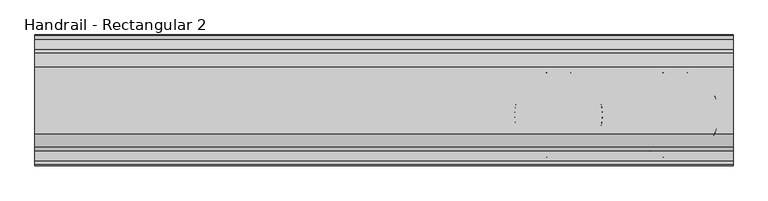
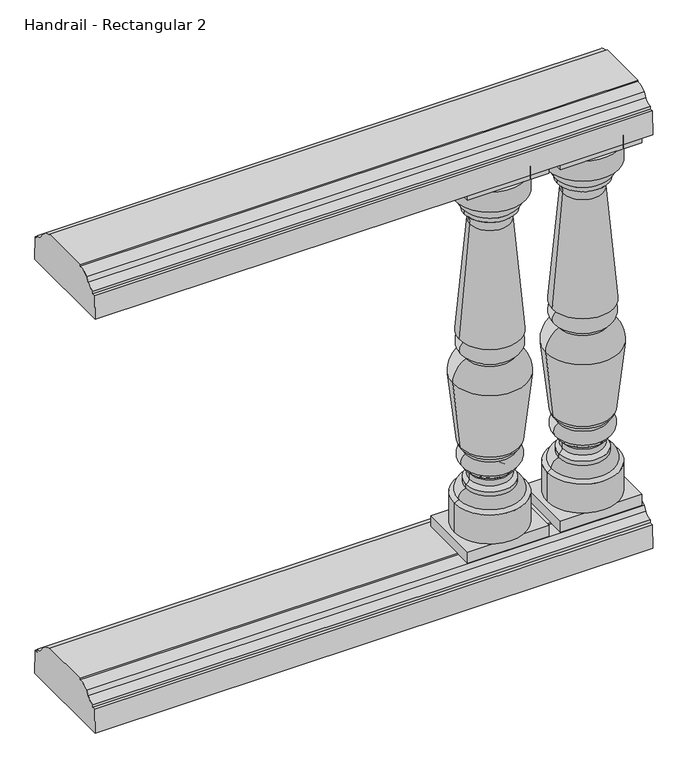
"""IFC4 building model written with IfcOpenShell, lengths in millimetres: railing geometry, Handrail - Rectangular 2."""

from ifc_helpers import new_model, si_unit, point, frame, frame_2d, origin, place, context, project, spatial, polyline, circle_curve, ellipse_curve, trimmed, segment, composite_curve, outline, extrude, source, transform, mapped, element, save
from ifc_brep_helpers import plane_surface, cylinder_surface, revolved_surface, advanced_brep


def handrail_rectangular_2_2d9b147e(model_context):
    return source(origin(), model_context, "Body", "SolidModel", [
        extrude(outline(composite_curve([segment(trimmed(circle_curve(frame_2d((2037.3551798, 1054.89375)), 19.84375), [point((2037.3551798, 1035.05))], [point((2054.4756216, 1044.8605607))], True, "CARTESIAN"), True, "CONTINUOUS"), segment(polyline([(2054.4756216, 1044.8605607), (2060.9356936, 1054.3201059)]), True, "CONTINUOUS"), segment(trimmed(circle_curve(frame_2d((2084.9801798, 1027.90625)), 35.71875), [point((2060.9356936, 1054.3201059))], [point((2084.9801798, 1063.625))], False, "CARTESIAN"), True, "CONTINUOUS"), segment(polyline([(2084.9801798, 1063.625), (2084.9801798, 1066.8), (2200.8676798, 1066.8), (2200.8676798, 1063.625)]), True, "CONTINUOUS"), segment(trimmed(circle_curve(frame_2d((2200.8676798, 1027.90625)), 35.71875), [point((2200.8676798, 1063.625))], [point((2224.912166, 1054.3201059))], False, "CARTESIAN"), True, "CONTINUOUS"), segment(polyline([(2224.912166, 1054.3201059), (2231.372238, 1044.8605607)]), True, "CONTINUOUS"), segment(trimmed(circle_curve(frame_2d((2248.4926798, 1054.89375)), 19.84375), [point((2231.372238, 1044.8605607))], [point((2248.4926798, 1035.05))], True, "CARTESIAN"), True, "CONTINUOUS"), segment(polyline([(2248.4926798, 1035.05), (2248.4926798, 1028.7), (2255.6364298, 1028.7), (2257.2239298, 974.725), (2028.6239298, 974.725), (2030.2114298, 1028.7), (2037.3551798, 1028.7), (2037.3551798, 1035.05)]), True, "CONTINUOUS")], self_intersect=False)), frame((4647.5566037, 0.0, 0.0), z_axis=(1.0, 0.0, 0.0), x_axis=(0.0, 1.0, 0.0)), (0.0, 0.0, 1.0), 1219.2),
        extrude(outline(composite_curve([segment(trimmed(circle_curve(frame_2d((2037.3551798, 99.21875)), 19.84375), [point((2037.3551798, 79.375))], [point((2054.4756216, 89.1855607))], True, "CARTESIAN"), True, "CONTINUOUS"), segment(polyline([(2054.4756216, 89.1855607), (2060.9356936, 98.6451059)]), True, "CONTINUOUS"), segment(trimmed(circle_curve(frame_2d((2084.9801798, 72.23125)), 35.71875), [point((2060.9356936, 98.6451059))], [point((2084.9801798, 107.95))], False, "CARTESIAN"), True, "CONTINUOUS"), segment(polyline([(2084.9801798, 107.95), (2084.9801798, 111.125), (2200.8676798, 111.125), (2200.8676798, 107.95)]), True, "CONTINUOUS"), segment(trimmed(circle_curve(frame_2d((2200.8676798, 72.23125)), 35.71875), [point((2200.8676798, 107.95))], [point((2224.912166, 98.6451059))], False, "CARTESIAN"), True, "CONTINUOUS"), segment(polyline([(2224.912166, 98.6451059), (2231.372238, 89.1855607)]), True, "CONTINUOUS"), segment(trimmed(circle_curve(frame_2d((2248.4926798, 99.21875)), 19.84375), [point((2231.372238, 89.1855607))], [point((2248.4926798, 79.375))], True, "CARTESIAN"), True, "CONTINUOUS"), segment(polyline([(2248.4926798, 79.375), (2248.4926798, 73.025), (2255.6364298, 73.025), (2257.2239298, 19.05), (2028.6239298, 19.05), (2030.2114298, 73.025), (2037.3551798, 73.025), (2037.3551798, 79.375)]), True, "CONTINUOUS")], self_intersect=False)), frame((4647.5566037, 0.0, 0.0), z_axis=(1.0, 0.0, 0.0), x_axis=(0.0, 1.0, 0.0)), (0.0, 0.0, 1.0), 1219.2),
        advanced_brep(
        [(5765.1566037, 2117.5239298, 949.325), (5687.5953648, 2117.5239298, 949.325), (5842.7178426, 2117.5239298, 949.325), (5842.9441037, 2117.5239298, 136.525), (5687.3691037, 2117.5239298, 136.525), (5765.1566037, 2117.5239298, 136.525), (5842.9441037, 2117.5239298, 203.2), (5687.3691037, 2117.5239298, 203.2), (5833.3320698, 2117.5239298, 208.348485), (5696.9811377, 2117.5239298, 208.348485), (5817.5441037, 2117.5239298, 228.7310532), (5712.7691037, 2117.5239298, 228.7310532), (5817.5441037, 2117.5239298, 238.125), (5712.7691037, 2117.5239298, 238.125), (5809.9253868, 2117.5239298, 247.1598162), (5720.3878206, 2117.5239298, 247.1598162), (5809.9253868, 2117.5239298, 260.8401838), (5720.3878206, 2117.5239298, 260.8401838), (5817.5441037, 2117.5239298, 269.875), (5712.7691037, 2117.5239298, 269.875), (5817.5441037, 2117.5239298, 276.225), (5712.7691037, 2117.5239298, 276.225), (5818.3378537, 2117.5239298, 307.975), (5711.9753537, 2117.5239298, 307.975), (5818.3378537, 2117.5239298, 314.325), (5711.9753537, 2117.5239298, 314.325), (5829.1106385, 2117.5239298, 327.0157842), (5701.2025689, 2117.5239298, 327.0157842), (5846.1977192, 2117.5239298, 481.3725887), (5684.1154883, 2117.5239298, 481.3725887), (5817.5441037, 2117.5239298, 528.6375), (5712.7691037, 2117.5239298, 528.6375), (5817.5441037, 2117.5239298, 534.9875), (5712.7691037, 2117.5239298, 534.9875), (5820.7191037, 2117.5239298, 569.9125), (5709.5941037, 2117.5239298, 569.9125), (5820.7191037, 2117.5239298, 573.0875), (5709.5941037, 2117.5239298, 573.0875), (5831.8316037, 2117.5239298, 577.85), (5698.4816037, 2117.5239298, 577.85), (5808.6530916, 2117.5239298, 836.3199218), (5721.6601158, 2117.5239298, 836.3199218), (5820.7191037, 2117.5239298, 863.6), (5709.5941037, 2117.5239298, 863.6), (5820.7191037, 2117.5239298, 873.125), (5709.5941037, 2117.5239298, 873.125), (5831.8316037, 2117.5239298, 900.1125), (5698.4816037, 2117.5239298, 900.1125), (5842.9441037, 2117.5239298, 903.2875), (5687.3691037, 2117.5239298, 903.2875)],
        [
            (0, 1),
            (1, 2, circle_curve(frame((5765.1566037, 2117.5239298, 949.325), z_axis=(0.0, 0.0, 1.0), x_axis=(-1.0, 0.0, 0.0)), 77.5612389)),
            (2, 0),
            (2, 1, circle_curve(frame((5765.1566037, 2117.5239298, 949.325), z_axis=(0.0, 0.0, 1.0), x_axis=(-1.0, 0.0, 0.0)), 77.5612389)),
            (3, 4, circle_curve(frame((5765.1566037, 2117.5239298, 136.525), z_axis=(0.0, 0.0, -1.0), x_axis=(-1.0, 0.0, 0.0)), 77.7875)),
            (4, 5),
            (5, 3),
            (4, 3, circle_curve(frame((5765.1566037, 2117.5239298, 136.525), z_axis=(0.0, 0.0, -1.0), x_axis=(-1.0, 0.0, 0.0)), 77.7875)),
            (6, 7, circle_curve(frame((5765.1566037, 2117.5239298, 203.2), z_axis=(0.0, 0.0, -1.0), x_axis=(-1.0, 0.0, 0.0)), 77.7875)),
            (7, 4),
            (3, 6),
            (7, 6, circle_curve(frame((5765.1566037, 2117.5239298, 203.2), z_axis=(0.0, 0.0, -1.0), x_axis=(-1.0, 0.0, 0.0)), 77.7875)),
            (8, 9, circle_curve(frame((5765.1566037, 2117.5239298, 208.348485), z_axis=(0.0, 0.0, -1.0), x_axis=(-1.0, 0.0, 0.0)), 68.175466)),
            (9, 7),
            (6, 8),
            (9, 8, circle_curve(frame((5765.1566037, 2117.5239298, 208.348485), z_axis=(0.0, 0.0, -1.0), x_axis=(-1.0, 0.0, 0.0)), 68.175466)),
            (10, 11, circle_curve(frame((5765.1566037, 2117.5239298, 228.7310532), z_axis=(0.0, 0.0, -1.0), x_axis=(-1.0, 0.0, 0.0)), 52.3875)),
            (11, 9, circle_curve(frame((5715.1441926, 2117.5239298, 210.5855331), z_axis=(0.0, -1.0, 0.0), x_axis=(1.0, 0.0, 0.0)), 18.3002991)),
            (8, 10, circle_curve(frame((5815.1690149, 2117.5239298, 210.5855331), z_axis=(0.0, -1.0, 0.0), x_axis=(-1.0, 0.0, 0.0)), 18.3002991)),
            (11, 10, circle_curve(frame((5765.1566037, 2117.5239298, 228.7310532), z_axis=(0.0, 0.0, -1.0), x_axis=(-1.0, 0.0, 0.0)), 52.3875)),
            (12, 13, circle_curve(frame((5765.1566037, 2117.5239298, 238.125), z_axis=(0.0, 0.0, -1.0), x_axis=(-1.0, 0.0, 0.0)), 52.3875)),
            (13, 11),
            (10, 12),
            (13, 12, circle_curve(frame((5765.1566037, 2117.5239298, 238.125), z_axis=(0.0, 0.0, -1.0), x_axis=(-1.0, 0.0, 0.0)), 52.3875)),
            (14, 15, circle_curve(frame((5765.1566037, 2117.5239298, 247.1598162), z_axis=(0.0, 0.0, -1.0), x_axis=(-1.0, 0.0, 0.0)), 44.7687831)),
            (15, 13, circle_curve(frame((5710.9837685, 2117.5239298, 247.3602005), z_axis=(0.0, 1.0, 0.0), x_axis=(1.0, 0.0, 0.0)), 9.4061868)),
            (12, 14, circle_curve(frame((5819.329439, 2117.5239298, 247.3602005), z_axis=(0.0, 1.0, 0.0), x_axis=(-1.0, 0.0, 0.0)), 9.4061868)),
            (15, 14, circle_curve(frame((5765.1566037, 2117.5239298, 247.1598162), z_axis=(0.0, 0.0, -1.0), x_axis=(-1.0, 0.0, 0.0)), 44.7687831)),
            (16, 17, circle_curve(frame((5765.1566037, 2117.5239298, 260.8401838), z_axis=(0.0, 0.0, -1.0), x_axis=(-1.0, 0.0, 0.0)), 44.7687831)),
            (17, 15),
            (14, 16),
            (17, 16, circle_curve(frame((5765.1566037, 2117.5239298, 260.8401838), z_axis=(0.0, 0.0, -1.0), x_axis=(-1.0, 0.0, 0.0)), 44.7687831)),
            (18, 19, circle_curve(frame((5765.1566037, 2117.5239298, 269.875), z_axis=(0.0, 0.0, -1.0), x_axis=(-1.0, 0.0, 0.0)), 52.3875)),
            (19, 17, circle_curve(frame((5710.9837685, 2117.5239298, 260.6397995), z_axis=(0.0, 1.0, 0.0), x_axis=(1.0, 0.0, 0.0)), 9.4061868)),
            (16, 18, circle_curve(frame((5819.329439, 2117.5239298, 260.6397995), z_axis=(0.0, 1.0, 0.0), x_axis=(-1.0, 0.0, 0.0)), 9.4061868)),
            (19, 18, circle_curve(frame((5765.1566037, 2117.5239298, 269.875), z_axis=(0.0, 0.0, -1.0), x_axis=(-1.0, 0.0, 0.0)), 52.3875)),
            (20, 21, circle_curve(frame((5765.1566037, 2117.5239298, 276.225), z_axis=(0.0, 0.0, -1.0), x_axis=(-1.0, 0.0, 0.0)), 52.3875)),
            (21, 19),
            (18, 20),
            (21, 20, circle_curve(frame((5765.1566037, 2117.5239298, 276.225), z_axis=(0.0, 0.0, -1.0), x_axis=(-1.0, 0.0, 0.0)), 52.3875)),
            (22, 23, circle_curve(frame((5765.1566037, 2117.5239298, 307.975), z_axis=(0.0, 0.0, -1.0), x_axis=(-1.0, 0.0, 0.0)), 53.18125)),
            (23, 21, circle_curve(frame((5718.3481914, 2117.5239298, 292.2493991), z_axis=(0.0, -1.0, 0.0), x_axis=(1.0, 0.0, 0.0)), 16.9678397)),
            (20, 22, circle_curve(frame((5811.9650161, 2117.5239298, 292.2493991), z_axis=(0.0, -1.0, 0.0), x_axis=(-1.0, 0.0, 0.0)), 16.9678397)),
            (23, 22, circle_curve(frame((5765.1566037, 2117.5239298, 307.975), z_axis=(0.0, 0.0, -1.0), x_axis=(-1.0, 0.0, 0.0)), 53.18125)),
            (24, 25, circle_curve(frame((5765.1566037, 2117.5239298, 314.325), z_axis=(0.0, 0.0, -1.0), x_axis=(-1.0, 0.0, 0.0)), 53.18125)),
            (25, 23),
            (22, 24),
            (25, 24, circle_curve(frame((5765.1566037, 2117.5239298, 314.325), z_axis=(0.0, 0.0, -1.0), x_axis=(-1.0, 0.0, 0.0)), 53.18125)),
            (26, 27, circle_curve(frame((5765.1566037, 2117.5239298, 327.0157842), z_axis=(0.0, 0.0, -1.0), x_axis=(-1.0, 0.0, 0.0)), 63.9540348)),
            (27, 25, circle_curve(frame((5721.8087261, 2117.5239298, 333.5899445), z_axis=(0.0, -1.0, 0.0), x_axis=(1.0, 0.0, 0.0)), 21.6294545)),
            (24, 26, circle_curve(frame((5808.5044813, 2117.5239298, 333.5899445), z_axis=(0.0, -1.0, 0.0), x_axis=(-1.0, 0.0, 0.0)), 21.6294545)),
            (27, 26, circle_curve(frame((5765.1566037, 2117.5239298, 327.0157842), z_axis=(0.0, 0.0, -1.0), x_axis=(-1.0, 0.0, 0.0)), 63.9540348)),
            (28, 29, circle_curve(frame((5765.1566037, 2117.5239298, 481.3725887), z_axis=(0.0, 0.0, -1.0), x_axis=(-1.0, 0.0, 0.0)), 81.0411154)),
            (29, 27, circle_curve(frame((7178.442934, 2117.5239298, 568.6683698), z_axis=(0.0, -1.0, 0.0), x_axis=(1.0, 0.0, 0.0)), 1496.8751012)),
            (26, 28, circle_curve(frame((4351.8702734, 2117.5239298, 568.6683698), z_axis=(0.0, -1.0, 0.0), x_axis=(-1.0, 0.0, 0.0)), 1496.8751012)),
            (29, 28, circle_curve(frame((5765.1566037, 2117.5239298, 481.3725887), z_axis=(0.0, 0.0, -1.0), x_axis=(-1.0, 0.0, 0.0)), 81.0411154)),
            (30, 31, circle_curve(frame((5765.1566037, 2117.5239298, 528.6375), z_axis=(0.0, 0.0, -1.0), x_axis=(-1.0, 0.0, 0.0)), 52.3875)),
            (31, 29, circle_curve(frame((5735.8682544, 2117.5239298, 482.3161407), z_axis=(0.0, -1.0, 0.0), x_axis=(1.0, 0.0, 0.0)), 51.7613668)),
            (28, 30, circle_curve(frame((5794.444953, 2117.5239298, 482.3161407), z_axis=(0.0, -1.0, 0.0), x_axis=(-1.0, 0.0, 0.0)), 51.7613668)),
            (31, 30, circle_curve(frame((5765.1566037, 2117.5239298, 528.6375), z_axis=(0.0, 0.0, -1.0), x_axis=(-1.0, 0.0, 0.0)), 52.3875)),
            (32, 33, circle_curve(frame((5765.1566037, 2117.5239298, 534.9875), z_axis=(0.0, 0.0, -1.0), x_axis=(-1.0, 0.0, 0.0)), 52.3875)),
            (33, 31),
            (30, 32),
            (33, 32, circle_curve(frame((5765.1566037, 2117.5239298, 534.9875), z_axis=(0.0, 0.0, -1.0), x_axis=(-1.0, 0.0, 0.0)), 52.3875)),
            (34, 35, circle_curve(frame((5765.1566037, 2117.5239298, 569.9125), z_axis=(0.0, 0.0, -1.0), x_axis=(-1.0, 0.0, 0.0)), 55.5625)),
            (35, 33, circle_curve(frame((5717.8353561, 2117.5239298, 553.0548866), z_axis=(0.0, -1.0, 0.0), x_axis=(1.0, 0.0, 0.0)), 18.7642578)),
            (32, 34, circle_curve(frame((5812.4778513, 2117.5239298, 553.0548866), z_axis=(0.0, -1.0, 0.0), x_axis=(-1.0, 0.0, 0.0)), 18.7642578)),
            (35, 34, circle_curve(frame((5765.1566037, 2117.5239298, 569.9125), z_axis=(0.0, 0.0, -1.0), x_axis=(-1.0, 0.0, 0.0)), 55.5625)),
            (36, 37, circle_curve(frame((5765.1566037, 2117.5239298, 573.0875), z_axis=(0.0, 0.0, -1.0), x_axis=(-1.0, 0.0, 0.0)), 55.5625)),
            (37, 35),
            (34, 36),
            (37, 36, circle_curve(frame((5765.1566037, 2117.5239298, 573.0875), z_axis=(0.0, 0.0, -1.0), x_axis=(-1.0, 0.0, 0.0)), 55.5625)),
            (38, 39, circle_curve(frame((5765.1566037, 2117.5239298, 577.85), z_axis=(0.0, 0.0, -1.0), x_axis=(-1.0, 0.0, 0.0)), 66.675)),
            (39, 37),
            (36, 38),
            (39, 38, circle_curve(frame((5765.1566037, 2117.5239298, 577.85), z_axis=(0.0, 0.0, -1.0), x_axis=(-1.0, 0.0, 0.0)), 66.675)),
            (40, 41, circle_curve(frame((5765.1566037, 2117.5239298, 836.3199218), z_axis=(0.0, 0.0, -1.0), x_axis=(-1.0, 0.0, 0.0)), 43.4964879)),
            (41, 39, circle_curve(frame((4074.8236899, 2117.5239298, 853.7271544), z_axis=(0.0, 1.0, 0.0), x_axis=(1.0, 0.0, 0.0)), 1646.9284215)),
            (38, 40, circle_curve(frame((7455.4895176, 2117.5239298, 853.7271544), z_axis=(0.0, 1.0, 0.0), x_axis=(-1.0, 0.0, 0.0)), 1646.9284215)),
            (41, 40, circle_curve(frame((5765.1566037, 2117.5239298, 836.3199218), z_axis=(0.0, 0.0, -1.0), x_axis=(-1.0, 0.0, 0.0)), 43.4964879)),
            (42, 43, circle_curve(frame((5765.1566037, 2117.5239298, 863.6), z_axis=(0.0, 0.0, -1.0), x_axis=(-1.0, 0.0, 0.0)), 55.5625)),
            (43, 41, circle_curve(frame((5688.9559569, 2117.5239298, 838.1632773), z_axis=(0.0, 1.0, 0.0), x_axis=(1.0, 0.0, 0.0)), 32.7560676)),
            (40, 42, circle_curve(frame((5841.3572505, 2117.5239298, 838.1632773), z_axis=(0.0, 1.0, 0.0), x_axis=(-1.0, 0.0, 0.0)), 32.7560676)),
            (43, 42, circle_curve(frame((5765.1566037, 2117.5239298, 863.6), z_axis=(0.0, 0.0, -1.0), x_axis=(-1.0, 0.0, 0.0)), 55.5625)),
            (44, 45, circle_curve(frame((5765.1566037, 2117.5239298, 873.125), z_axis=(0.0, 0.0, -1.0), x_axis=(-1.0, 0.0, 0.0)), 55.5625)),
            (45, 43),
            (42, 44),
            (45, 44, circle_curve(frame((5765.1566037, 2117.5239298, 873.125), z_axis=(0.0, 0.0, -1.0), x_axis=(-1.0, 0.0, 0.0)), 55.5625)),
            (46, 47, circle_curve(frame((5765.1566037, 2117.5239298, 900.1125), z_axis=(0.0, 0.0, -1.0), x_axis=(-1.0, 0.0, 0.0)), 66.675)),
            (47, 45, circle_curve(frame((5727.8418255, 2117.5239298, 896.4203854), z_axis=(0.0, -1.0, 0.0), x_axis=(1.0, 0.0, 0.0)), 29.5914571)),
            (44, 46, circle_curve(frame((5802.4713819, 2117.5239298, 896.4203854), z_axis=(0.0, -1.0, 0.0), x_axis=(-1.0, 0.0, 0.0)), 29.5914571)),
            (47, 46, circle_curve(frame((5765.1566037, 2117.5239298, 900.1125), z_axis=(0.0, 0.0, -1.0), x_axis=(-1.0, 0.0, 0.0)), 66.675)),
            (48, 49, circle_curve(frame((5765.1566037, 2117.5239298, 903.2875), z_axis=(0.0, 0.0, -1.0), x_axis=(-1.0, 0.0, 0.0)), 77.7875)),
            (49, 47),
            (46, 48),
            (49, 48, circle_curve(frame((5765.1566037, 2117.5239298, 903.2875), z_axis=(0.0, 0.0, -1.0), x_axis=(-1.0, 0.0, 0.0)), 77.7875)),
            (1, 49),
            (48, 2),
        ],
        [
            plane_surface(frame((5765.1566037, 2117.5239298, 949.325), z_axis=(0.0, 0.0, 1.0), x_axis=(-1.0, 0.0, 0.0))),
            plane_surface(frame((5765.1566037, 2117.5239298, 136.525), z_axis=(0.0, 0.0, -1.0), x_axis=(-1.0, 0.0, 0.0))),
            cylinder_surface(frame((5765.1566037, 2117.5239298, 1019.175), z_axis=(0.0, 0.0, 1.0), x_axis=(-1.0, 0.0, 0.0)), 77.7875),
            revolved_surface(polyline([(5687.3691037, 2117.5239298, 203.2), (5696.9811377, 2117.5239298, 208.348485)]), (5765.1566037, 2117.5239298, 1019.175), (0.0, 0.0, 1.0)),
            revolved_surface(trimmed(ellipse_curve(frame((5715.1441926, 2117.5239298, 210.5855331), z_axis=(0.0, 1.0, 0.0), x_axis=(1.0, 0.0, 0.0)), 18.3002991, 18.3002991), [point((5696.9811377, 2117.5239298, 208.348485))], [point((5712.7691037, 2117.5239298, 228.7310532))], True, "CARTESIAN"), (5765.1566037, 2117.5239298, 1019.175), (0.0, 0.0, 1.0)),
            cylinder_surface(frame((5765.1566037, 2117.5239298, 1019.175), z_axis=(0.0, 0.0, 1.0), x_axis=(-1.0, 0.0, 0.0)), 52.3875),
            revolved_surface(trimmed(ellipse_curve(frame((5710.9837685, 2117.5239298, 247.3602005), z_axis=(0.0, -1.0, 0.0), x_axis=(1.0, 0.0, 0.0)), 9.4061868, 9.4061868), [point((5712.7691037, 2117.5239298, 238.125))], [point((5720.3878206, 2117.5239298, 247.1598162))], True, "CARTESIAN"), (5765.1566037, 2117.5239298, 1019.175), (0.0, 0.0, 1.0)),
            cylinder_surface(frame((5765.1566037, 2117.5239298, 1019.175), z_axis=(0.0, 0.0, 1.0), x_axis=(-1.0, 0.0, 0.0)), 44.7687831),
            revolved_surface(trimmed(ellipse_curve(frame((5710.9837685, 2117.5239298, 260.6397995), z_axis=(0.0, -1.0, 0.0), x_axis=(1.0, 0.0, 0.0)), 9.4061868, 9.4061868), [point((5720.3878206, 2117.5239298, 260.8401838))], [point((5712.7691037, 2117.5239298, 269.875))], True, "CARTESIAN"), (5765.1566037, 2117.5239298, 1019.175), (0.0, 0.0, 1.0)),
            revolved_surface(trimmed(ellipse_curve(frame((5718.3481914, 2117.5239298, 292.2493991), z_axis=(0.0, 1.0, 0.0), x_axis=(1.0, 0.0, 0.0)), 16.9678397, 16.9678397), [point((5712.7691037, 2117.5239298, 276.225))], [point((5711.9753537, 2117.5239298, 307.975))], True, "CARTESIAN"), (5765.1566037, 2117.5239298, 1019.175), (0.0, 0.0, 1.0)),
            cylinder_surface(frame((5765.1566037, 2117.5239298, 1019.175), z_axis=(0.0, 0.0, 1.0), x_axis=(-1.0, 0.0, 0.0)), 53.18125),
            revolved_surface(trimmed(ellipse_curve(frame((5721.8087261, 2117.5239298, 333.5899445), z_axis=(0.0, 1.0, 0.0), x_axis=(1.0, 0.0, 0.0)), 21.6294545, 21.6294545), [point((5711.9753537, 2117.5239298, 314.325))], [point((5701.2025689, 2117.5239298, 327.0157842))], True, "CARTESIAN"), (5765.1566037, 2117.5239298, 1019.175), (0.0, 0.0, 1.0)),
            revolved_surface(trimmed(ellipse_curve(frame((7178.442934, 2117.5239298, 568.6683698), z_axis=(0.0, 1.0, 0.0), x_axis=(1.0, 0.0, 0.0)), 1496.8751012, 1496.8751012), [point((5701.2025689, 2117.5239298, 327.0157842))], [point((5684.1154883, 2117.5239298, 481.3725887))], True, "CARTESIAN"), (5765.1566037, 2117.5239298, 1019.175), (0.0, 0.0, 1.0)),
            revolved_surface(trimmed(ellipse_curve(frame((5735.8682544, 2117.5239298, 482.3161407), z_axis=(0.0, 1.0, 0.0), x_axis=(1.0, 0.0, 0.0)), 51.7613668, 51.7613668), [point((5684.1154883, 2117.5239298, 481.3725887))], [point((5712.7691037, 2117.5239298, 528.6375))], True, "CARTESIAN"), (5765.1566037, 2117.5239298, 1019.175), (0.0, 0.0, 1.0)),
            revolved_surface(trimmed(ellipse_curve(frame((5717.8353561, 2117.5239298, 553.0548866), z_axis=(0.0, 1.0, 0.0), x_axis=(1.0, 0.0, 0.0)), 18.7642578, 18.7642578), [point((5712.7691037, 2117.5239298, 534.9875))], [point((5709.5941037, 2117.5239298, 569.9125))], True, "CARTESIAN"), (5765.1566037, 2117.5239298, 1019.175), (0.0, 0.0, 1.0)),
            cylinder_surface(frame((5765.1566037, 2117.5239298, 1019.175), z_axis=(0.0, 0.0, 1.0), x_axis=(-1.0, 0.0, 0.0)), 55.5625),
            revolved_surface(polyline([(5709.5941037, 2117.5239298, 573.0875), (5698.4816037, 2117.5239298, 577.85)]), (5765.1566037, 2117.5239298, 1019.175), (0.0, 0.0, 1.0)),
            revolved_surface(trimmed(ellipse_curve(frame((4074.8236899, 2117.5239298, 853.7271544), z_axis=(0.0, -1.0, 0.0), x_axis=(1.0, 0.0, 0.0)), 1646.9284215, 1646.9284215), [point((5698.4816037, 2117.5239298, 577.85))], [point((5721.6601158, 2117.5239298, 836.3199218))], True, "CARTESIAN"), (5765.1566037, 2117.5239298, 1019.175), (0.0, 0.0, 1.0)),
            revolved_surface(trimmed(ellipse_curve(frame((5688.9559569, 2117.5239298, 838.1632773), z_axis=(0.0, -1.0, 0.0), x_axis=(1.0, 0.0, 0.0)), 32.7560676, 32.7560676), [point((5721.6601158, 2117.5239298, 836.3199218))], [point((5709.5941037, 2117.5239298, 863.6))], True, "CARTESIAN"), (5765.1566037, 2117.5239298, 1019.175), (0.0, 0.0, 1.0)),
            revolved_surface(trimmed(ellipse_curve(frame((5727.8418255, 2117.5239298, 896.4203854), z_axis=(0.0, 1.0, 0.0), x_axis=(1.0, 0.0, 0.0)), 29.5914571, 29.5914571), [point((5709.5941037, 2117.5239298, 873.125))], [point((5698.4816037, 2117.5239298, 900.1125))], True, "CARTESIAN"), (5765.1566037, 2117.5239298, 1019.175), (0.0, 0.0, 1.0)),
            revolved_surface(polyline([(5698.4816037, 2117.5239298, 900.1125), (5687.3691037, 2117.5239298, 903.2875)]), (5765.1566037, 2117.5239298, 1019.175), (0.0, 0.0, 1.0)),
            revolved_surface(polyline([(5687.3691037, 2117.5239298, 903.2875), (5687.5953648, 2117.5239298, 949.325)]), (5765.1566037, 2117.5239298, 1019.175), (0.0, 0.0, 1.0)),
        ],
        [
            (0, [[1, 2, 3]]),
            (0, [[-3, 4, -1]]),
            (1, [[5, 6, 7]]),
            (1, [[8, -7, -6]]),
            (2, [[9, 10, -5, 11]]),
            (2, [[12, -11, -8, -10]]),
            (3, [[13, 14, -9, 15]]),
            (3, [[16, -15, -12, -14]]),
            (4, [[17, 18, -13, 19]]),
            (4, [[20, -19, -16, -18]]),
            (5, [[21, 22, -17, 23]]),
            (5, [[24, -23, -20, -22]]),
            (6, [[25, 26, -21, 27]]),
            (6, [[28, -27, -24, -26]]),
            (7, [[29, 30, -25, 31]]),
            (7, [[32, -31, -28, -30]]),
            (8, [[33, 34, -29, 35]]),
            (8, [[36, -35, -32, -34]]),
            (5, [[37, 38, -33, 39]]),
            (5, [[40, -39, -36, -38]]),
            (9, [[41, 42, -37, 43]]),
            (9, [[44, -43, -40, -42]]),
            (10, [[45, 46, -41, 47]]),
            (10, [[48, -47, -44, -46]]),
            (11, [[49, 50, -45, 51]]),
            (11, [[52, -51, -48, -50]]),
            (12, [[53, 54, -49, 55]]),
            (12, [[56, -55, -52, -54]]),
            (13, [[57, 58, -53, 59]]),
            (13, [[60, -59, -56, -58]]),
            (5, [[61, 62, -57, 63]]),
            (5, [[64, -63, -60, -62]]),
            (14, [[65, 66, -61, 67]]),
            (14, [[68, -67, -64, -66]]),
            (15, [[69, 70, -65, 71]]),
            (15, [[72, -71, -68, -70]]),
            (16, [[73, 74, -69, 75]]),
            (16, [[76, -75, -72, -74]]),
            (17, [[77, 78, -73, 79]]),
            (17, [[80, -79, -76, -78]]),
            (18, [[81, 82, -77, 83]]),
            (18, [[84, -83, -80, -82]]),
            (15, [[85, 86, -81, 87]]),
            (15, [[88, -87, -84, -86]]),
            (19, [[89, 90, -85, 91]]),
            (19, [[92, -91, -88, -90]]),
            (20, [[93, 94, -89, 95]]),
            (20, [[96, -95, -92, -94]]),
            (21, [[-2, 97, -93, 98]]),
            (21, [[-4, -98, -96, -97]]),
        ],
    ),
        extrude(outline(polyline([(5676.2566037, 2047.6739298), (5676.2566037, 2187.3739298), (5854.0566037, 2187.3739298), (5854.0566037, 2047.6739298), (5676.2566037, 2047.6739298)])), frame((0.0, 0.0, 111.125), z_axis=(0.0, 0.0, 1.0), x_axis=(1.0, 0.0, 0.0)), (0.0, 0.0, 1.0), 25.4),
        extrude(outline(polyline([(5676.2566037, 2187.3739298), (5854.0566037, 2187.3739298), (5854.0566037, 2047.6739298), (5676.2566037, 2047.6739298), (5676.2566037, 2187.3739298)])), frame((0.0, 0.0, 949.325), z_axis=(0.0, 0.0, 1.0), x_axis=(1.0, 0.0, 0.0)), (0.0, 0.0, 1.0), 25.4),
        advanced_brep(
        [(5561.9566037, 2117.5239298, 949.325), (5484.3953648, 2117.5239298, 949.325), (5639.5178426, 2117.5239298, 949.325), (5639.7441037, 2117.5239298, 136.525), (5484.1691037, 2117.5239298, 136.525), (5561.9566037, 2117.5239298, 136.525), (5639.7441037, 2117.5239298, 203.2), (5484.1691037, 2117.5239298, 203.2), (5630.1320698, 2117.5239298, 208.348485), (5493.7811377, 2117.5239298, 208.348485), (5614.3441037, 2117.5239298, 228.7310532), (5509.5691037, 2117.5239298, 228.7310532), (5614.3441037, 2117.5239298, 238.125), (5509.5691037, 2117.5239298, 238.125), (5606.7253868, 2117.5239298, 247.1598162), (5517.1878206, 2117.5239298, 247.1598162), (5606.7253868, 2117.5239298, 260.8401838), (5517.1878206, 2117.5239298, 260.8401838), (5614.3441037, 2117.5239298, 269.875), (5509.5691037, 2117.5239298, 269.875), (5614.3441037, 2117.5239298, 276.225), (5509.5691037, 2117.5239298, 276.225), (5615.1378537, 2117.5239298, 307.975), (5508.7753537, 2117.5239298, 307.975), (5615.1378537, 2117.5239298, 314.325), (5508.7753537, 2117.5239298, 314.325), (5625.9106385, 2117.5239298, 327.0157842), (5498.0025689, 2117.5239298, 327.0157842), (5642.9977192, 2117.5239298, 481.3725887), (5480.9154883, 2117.5239298, 481.3725887), (5614.3441037, 2117.5239298, 528.6375), (5509.5691037, 2117.5239298, 528.6375), (5614.3441037, 2117.5239298, 534.9875), (5509.5691037, 2117.5239298, 534.9875), (5617.5191037, 2117.5239298, 569.9125), (5506.3941037, 2117.5239298, 569.9125), (5617.5191037, 2117.5239298, 573.0875), (5506.3941037, 2117.5239298, 573.0875), (5628.6316037, 2117.5239298, 577.85), (5495.2816037, 2117.5239298, 577.85), (5605.4530916, 2117.5239298, 836.3199218), (5518.4601158, 2117.5239298, 836.3199218), (5617.5191037, 2117.5239298, 863.6), (5506.3941037, 2117.5239298, 863.6), (5617.5191037, 2117.5239298, 873.125), (5506.3941037, 2117.5239298, 873.125), (5628.6316037, 2117.5239298, 900.1125), (5495.2816037, 2117.5239298, 900.1125), (5639.7441037, 2117.5239298, 903.2875), (5484.1691037, 2117.5239298, 903.2875)],
        [
            (0, 1),
            (1, 2, circle_curve(frame((5561.9566037, 2117.5239298, 949.325), z_axis=(0.0, 0.0, 1.0), x_axis=(-1.0, 0.0, 0.0)), 77.5612389)),
            (2, 0),
            (2, 1, circle_curve(frame((5561.9566037, 2117.5239298, 949.325), z_axis=(0.0, 0.0, 1.0), x_axis=(-1.0, 0.0, 0.0)), 77.5612389)),
            (3, 4, circle_curve(frame((5561.9566037, 2117.5239298, 136.525), z_axis=(0.0, 0.0, -1.0), x_axis=(-1.0, 0.0, 0.0)), 77.7875)),
            (4, 5),
            (5, 3),
            (4, 3, circle_curve(frame((5561.9566037, 2117.5239298, 136.525), z_axis=(0.0, 0.0, -1.0), x_axis=(-1.0, 0.0, 0.0)), 77.7875)),
            (6, 7, circle_curve(frame((5561.9566037, 2117.5239298, 203.2), z_axis=(0.0, 0.0, -1.0), x_axis=(-1.0, 0.0, 0.0)), 77.7875)),
            (7, 4),
            (3, 6),
            (7, 6, circle_curve(frame((5561.9566037, 2117.5239298, 203.2), z_axis=(0.0, 0.0, -1.0), x_axis=(-1.0, 0.0, 0.0)), 77.7875)),
            (8, 9, circle_curve(frame((5561.9566037, 2117.5239298, 208.348485), z_axis=(0.0, 0.0, -1.0), x_axis=(-1.0, 0.0, 0.0)), 68.175466)),
            (9, 7),
            (6, 8),
            (9, 8, circle_curve(frame((5561.9566037, 2117.5239298, 208.348485), z_axis=(0.0, 0.0, -1.0), x_axis=(-1.0, 0.0, 0.0)), 68.175466)),
            (10, 11, circle_curve(frame((5561.9566037, 2117.5239298, 228.7310532), z_axis=(0.0, 0.0, -1.0), x_axis=(-1.0, 0.0, 0.0)), 52.3875)),
            (11, 9, circle_curve(frame((5511.9441926, 2117.5239298, 210.5855331), z_axis=(0.0, -1.0, 0.0), x_axis=(1.0, 0.0, 0.0)), 18.3002991)),
            (8, 10, circle_curve(frame((5611.9690149, 2117.5239298, 210.5855331), z_axis=(0.0, -1.0, 0.0), x_axis=(-1.0, 0.0, 0.0)), 18.3002991)),
            (11, 10, circle_curve(frame((5561.9566037, 2117.5239298, 228.7310532), z_axis=(0.0, 0.0, -1.0), x_axis=(-1.0, 0.0, 0.0)), 52.3875)),
            (12, 13, circle_curve(frame((5561.9566037, 2117.5239298, 238.125), z_axis=(0.0, 0.0, -1.0), x_axis=(-1.0, 0.0, 0.0)), 52.3875)),
            (13, 11),
            (10, 12),
            (13, 12, circle_curve(frame((5561.9566037, 2117.5239298, 238.125), z_axis=(0.0, 0.0, -1.0), x_axis=(-1.0, 0.0, 0.0)), 52.3875)),
            (14, 15, circle_curve(frame((5561.9566037, 2117.5239298, 247.1598162), z_axis=(0.0, 0.0, -1.0), x_axis=(-1.0, 0.0, 0.0)), 44.7687831)),
            (15, 13, circle_curve(frame((5507.7837685, 2117.5239298, 247.3602005), z_axis=(0.0, 1.0, 0.0), x_axis=(1.0, 0.0, 0.0)), 9.4061868)),
            (12, 14, circle_curve(frame((5616.129439, 2117.5239298, 247.3602005), z_axis=(0.0, 1.0, 0.0), x_axis=(-1.0, 0.0, 0.0)), 9.4061868)),
            (15, 14, circle_curve(frame((5561.9566037, 2117.5239298, 247.1598162), z_axis=(0.0, 0.0, -1.0), x_axis=(-1.0, 0.0, 0.0)), 44.7687831)),
            (16, 17, circle_curve(frame((5561.9566037, 2117.5239298, 260.8401838), z_axis=(0.0, 0.0, -1.0), x_axis=(-1.0, 0.0, 0.0)), 44.7687831)),
            (17, 15),
            (14, 16),
            (17, 16, circle_curve(frame((5561.9566037, 2117.5239298, 260.8401838), z_axis=(0.0, 0.0, -1.0), x_axis=(-1.0, 0.0, 0.0)), 44.7687831)),
            (18, 19, circle_curve(frame((5561.9566037, 2117.5239298, 269.875), z_axis=(0.0, 0.0, -1.0), x_axis=(-1.0, 0.0, 0.0)), 52.3875)),
            (19, 17, circle_curve(frame((5507.7837685, 2117.5239298, 260.6397995), z_axis=(0.0, 1.0, 0.0), x_axis=(1.0, 0.0, 0.0)), 9.4061868)),
            (16, 18, circle_curve(frame((5616.129439, 2117.5239298, 260.6397995), z_axis=(0.0, 1.0, 0.0), x_axis=(-1.0, 0.0, 0.0)), 9.4061868)),
            (19, 18, circle_curve(frame((5561.9566037, 2117.5239298, 269.875), z_axis=(0.0, 0.0, -1.0), x_axis=(-1.0, 0.0, 0.0)), 52.3875)),
            (20, 21, circle_curve(frame((5561.9566037, 2117.5239298, 276.225), z_axis=(0.0, 0.0, -1.0), x_axis=(-1.0, 0.0, 0.0)), 52.3875)),
            (21, 19),
            (18, 20),
            (21, 20, circle_curve(frame((5561.9566037, 2117.5239298, 276.225), z_axis=(0.0, 0.0, -1.0), x_axis=(-1.0, 0.0, 0.0)), 52.3875)),
            (22, 23, circle_curve(frame((5561.9566037, 2117.5239298, 307.975), z_axis=(0.0, 0.0, -1.0), x_axis=(-1.0, 0.0, 0.0)), 53.18125)),
            (23, 21, circle_curve(frame((5515.1481914, 2117.5239298, 292.2493991), z_axis=(0.0, -1.0, 0.0), x_axis=(1.0, 0.0, 0.0)), 16.9678397)),
            (20, 22, circle_curve(frame((5608.7650161, 2117.5239298, 292.2493991), z_axis=(0.0, -1.0, 0.0), x_axis=(-1.0, 0.0, 0.0)), 16.9678397)),
            (23, 22, circle_curve(frame((5561.9566037, 2117.5239298, 307.975), z_axis=(0.0, 0.0, -1.0), x_axis=(-1.0, 0.0, 0.0)), 53.18125)),
            (24, 25, circle_curve(frame((5561.9566037, 2117.5239298, 314.325), z_axis=(0.0, 0.0, -1.0), x_axis=(-1.0, 0.0, 0.0)), 53.18125)),
            (25, 23),
            (22, 24),
            (25, 24, circle_curve(frame((5561.9566037, 2117.5239298, 314.325), z_axis=(0.0, 0.0, -1.0), x_axis=(-1.0, 0.0, 0.0)), 53.18125)),
            (26, 27, circle_curve(frame((5561.9566037, 2117.5239298, 327.0157842), z_axis=(0.0, 0.0, -1.0), x_axis=(-1.0, 0.0, 0.0)), 63.9540348)),
            (27, 25, circle_curve(frame((5518.6087261, 2117.5239298, 333.5899445), z_axis=(0.0, -1.0, 0.0), x_axis=(1.0, 0.0, 0.0)), 21.6294545)),
            (24, 26, circle_curve(frame((5605.3044813, 2117.5239298, 333.5899445), z_axis=(0.0, -1.0, 0.0), x_axis=(-1.0, 0.0, 0.0)), 21.6294545)),
            (27, 26, circle_curve(frame((5561.9566037, 2117.5239298, 327.0157842), z_axis=(0.0, 0.0, -1.0), x_axis=(-1.0, 0.0, 0.0)), 63.9540348)),
            (28, 29, circle_curve(frame((5561.9566037, 2117.5239298, 481.3725887), z_axis=(0.0, 0.0, -1.0), x_axis=(-1.0, 0.0, 0.0)), 81.0411154)),
            (29, 27, circle_curve(frame((6975.242934, 2117.5239298, 568.6683698), z_axis=(0.0, -1.0, 0.0), x_axis=(1.0, 0.0, 0.0)), 1496.8751012)),
            (26, 28, circle_curve(frame((4148.6702734, 2117.5239298, 568.6683698), z_axis=(0.0, -1.0, 0.0), x_axis=(-1.0, 0.0, 0.0)), 1496.8751012)),
            (29, 28, circle_curve(frame((5561.9566037, 2117.5239298, 481.3725887), z_axis=(0.0, 0.0, -1.0), x_axis=(-1.0, 0.0, 0.0)), 81.0411154)),
            (30, 31, circle_curve(frame((5561.9566037, 2117.5239298, 528.6375), z_axis=(0.0, 0.0, -1.0), x_axis=(-1.0, 0.0, 0.0)), 52.3875)),
            (31, 29, circle_curve(frame((5532.6682544, 2117.5239298, 482.3161407), z_axis=(0.0, -1.0, 0.0), x_axis=(1.0, 0.0, 0.0)), 51.7613668)),
            (28, 30, circle_curve(frame((5591.244953, 2117.5239298, 482.3161407), z_axis=(0.0, -1.0, 0.0), x_axis=(-1.0, 0.0, 0.0)), 51.7613668)),
            (31, 30, circle_curve(frame((5561.9566037, 2117.5239298, 528.6375), z_axis=(0.0, 0.0, -1.0), x_axis=(-1.0, 0.0, 0.0)), 52.3875)),
            (32, 33, circle_curve(frame((5561.9566037, 2117.5239298, 534.9875), z_axis=(0.0, 0.0, -1.0), x_axis=(-1.0, 0.0, 0.0)), 52.3875)),
            (33, 31),
            (30, 32),
            (33, 32, circle_curve(frame((5561.9566037, 2117.5239298, 534.9875), z_axis=(0.0, 0.0, -1.0), x_axis=(-1.0, 0.0, 0.0)), 52.3875)),
            (34, 35, circle_curve(frame((5561.9566037, 2117.5239298, 569.9125), z_axis=(0.0, 0.0, -1.0), x_axis=(-1.0, 0.0, 0.0)), 55.5625)),
            (35, 33, circle_curve(frame((5514.6353561, 2117.5239298, 553.0548866), z_axis=(0.0, -1.0, 0.0), x_axis=(1.0, 0.0, 0.0)), 18.7642578)),
            (32, 34, circle_curve(frame((5609.2778513, 2117.5239298, 553.0548866), z_axis=(0.0, -1.0, 0.0), x_axis=(-1.0, 0.0, 0.0)), 18.7642578)),
            (35, 34, circle_curve(frame((5561.9566037, 2117.5239298, 569.9125), z_axis=(0.0, 0.0, -1.0), x_axis=(-1.0, 0.0, 0.0)), 55.5625)),
            (36, 37, circle_curve(frame((5561.9566037, 2117.5239298, 573.0875), z_axis=(0.0, 0.0, -1.0), x_axis=(-1.0, 0.0, 0.0)), 55.5625)),
            (37, 35),
            (34, 36),
            (37, 36, circle_curve(frame((5561.9566037, 2117.5239298, 573.0875), z_axis=(0.0, 0.0, -1.0), x_axis=(-1.0, 0.0, 0.0)), 55.5625)),
            (38, 39, circle_curve(frame((5561.9566037, 2117.5239298, 577.85), z_axis=(0.0, 0.0, -1.0), x_axis=(-1.0, 0.0, 0.0)), 66.675)),
            (39, 37),
            (36, 38),
            (39, 38, circle_curve(frame((5561.9566037, 2117.5239298, 577.85), z_axis=(0.0, 0.0, -1.0), x_axis=(-1.0, 0.0, 0.0)), 66.675)),
            (40, 41, circle_curve(frame((5561.9566037, 2117.5239298, 836.3199218), z_axis=(0.0, 0.0, -1.0), x_axis=(-1.0, 0.0, 0.0)), 43.4964879)),
            (41, 39, circle_curve(frame((3871.6236899, 2117.5239298, 853.7271544), z_axis=(0.0, 1.0, 0.0), x_axis=(1.0, 0.0, 0.0)), 1646.9284215)),
            (38, 40, circle_curve(frame((7252.2895176, 2117.5239298, 853.7271544), z_axis=(0.0, 1.0, 0.0), x_axis=(-1.0, 0.0, 0.0)), 1646.9284215)),
            (41, 40, circle_curve(frame((5561.9566037, 2117.5239298, 836.3199218), z_axis=(0.0, 0.0, -1.0), x_axis=(-1.0, 0.0, 0.0)), 43.4964879)),
            (42, 43, circle_curve(frame((5561.9566037, 2117.5239298, 863.6), z_axis=(0.0, 0.0, -1.0), x_axis=(-1.0, 0.0, 0.0)), 55.5625)),
            (43, 41, circle_curve(frame((5485.7559569, 2117.5239298, 838.1632773), z_axis=(0.0, 1.0, 0.0), x_axis=(1.0, 0.0, 0.0)), 32.7560676)),
            (40, 42, circle_curve(frame((5638.1572505, 2117.5239298, 838.1632773), z_axis=(0.0, 1.0, 0.0), x_axis=(-1.0, 0.0, 0.0)), 32.7560676)),
            (43, 42, circle_curve(frame((5561.9566037, 2117.5239298, 863.6), z_axis=(0.0, 0.0, -1.0), x_axis=(-1.0, 0.0, 0.0)), 55.5625)),
            (44, 45, circle_curve(frame((5561.9566037, 2117.5239298, 873.125), z_axis=(0.0, 0.0, -1.0), x_axis=(-1.0, 0.0, 0.0)), 55.5625)),
            (45, 43),
            (42, 44),
            (45, 44, circle_curve(frame((5561.9566037, 2117.5239298, 873.125), z_axis=(0.0, 0.0, -1.0), x_axis=(-1.0, 0.0, 0.0)), 55.5625)),
            (46, 47, circle_curve(frame((5561.9566037, 2117.5239298, 900.1125), z_axis=(0.0, 0.0, -1.0), x_axis=(-1.0, 0.0, 0.0)), 66.675)),
            (47, 45, circle_curve(frame((5524.6418255, 2117.5239298, 896.4203854), z_axis=(0.0, -1.0, 0.0), x_axis=(1.0, 0.0, 0.0)), 29.5914571)),
            (44, 46, circle_curve(frame((5599.2713819, 2117.5239298, 896.4203854), z_axis=(0.0, -1.0, 0.0), x_axis=(-1.0, 0.0, 0.0)), 29.5914571)),
            (47, 46, circle_curve(frame((5561.9566037, 2117.5239298, 900.1125), z_axis=(0.0, 0.0, -1.0), x_axis=(-1.0, 0.0, 0.0)), 66.675)),
            (48, 49, circle_curve(frame((5561.9566037, 2117.5239298, 903.2875), z_axis=(0.0, 0.0, -1.0), x_axis=(-1.0, 0.0, 0.0)), 77.7875)),
            (49, 47),
            (46, 48),
            (49, 48, circle_curve(frame((5561.9566037, 2117.5239298, 903.2875), z_axis=(0.0, 0.0, -1.0), x_axis=(-1.0, 0.0, 0.0)), 77.7875)),
            (1, 49),
            (48, 2),
        ],
        [
            plane_surface(frame((5561.9566037, 2117.5239298, 949.325), z_axis=(0.0, 0.0, 1.0), x_axis=(-1.0, 0.0, 0.0))),
            plane_surface(frame((5561.9566037, 2117.5239298, 136.525), z_axis=(0.0, 0.0, -1.0), x_axis=(-1.0, 0.0, 0.0))),
            cylinder_surface(frame((5561.9566037, 2117.5239298, 1019.175), z_axis=(0.0, 0.0, 1.0), x_axis=(-1.0, 0.0, 0.0)), 77.7875),
            revolved_surface(polyline([(5484.1691037, 2117.5239298, 203.2), (5493.7811377, 2117.5239298, 208.348485)]), (5561.9566037, 2117.5239298, 1019.175), (0.0, 0.0, 1.0)),
            revolved_surface(trimmed(ellipse_curve(frame((5511.9441926, 2117.5239298, 210.5855331), z_axis=(0.0, 1.0, 0.0), x_axis=(1.0, 0.0, 0.0)), 18.3002991, 18.3002991), [point((5493.7811377, 2117.5239298, 208.348485))], [point((5509.5691037, 2117.5239298, 228.7310532))], True, "CARTESIAN"), (5561.9566037, 2117.5239298, 1019.175), (0.0, 0.0, 1.0)),
            cylinder_surface(frame((5561.9566037, 2117.5239298, 1019.175), z_axis=(0.0, 0.0, 1.0), x_axis=(-1.0, 0.0, 0.0)), 52.3875),
            revolved_surface(trimmed(ellipse_curve(frame((5507.7837685, 2117.5239298, 247.3602005), z_axis=(0.0, -1.0, 0.0), x_axis=(1.0, 0.0, 0.0)), 9.4061868, 9.4061868), [point((5509.5691037, 2117.5239298, 238.125))], [point((5517.1878206, 2117.5239298, 247.1598162))], True, "CARTESIAN"), (5561.9566037, 2117.5239298, 1019.175), (0.0, 0.0, 1.0)),
            cylinder_surface(frame((5561.9566037, 2117.5239298, 1019.175), z_axis=(0.0, 0.0, 1.0), x_axis=(-1.0, 0.0, 0.0)), 44.7687831),
            revolved_surface(trimmed(ellipse_curve(frame((5507.7837685, 2117.5239298, 260.6397995), z_axis=(0.0, -1.0, 0.0), x_axis=(1.0, 0.0, 0.0)), 9.4061868, 9.4061868), [point((5517.1878206, 2117.5239298, 260.8401838))], [point((5509.5691037, 2117.5239298, 269.875))], True, "CARTESIAN"), (5561.9566037, 2117.5239298, 1019.175), (0.0, 0.0, 1.0)),
            revolved_surface(trimmed(ellipse_curve(frame((5515.1481914, 2117.5239298, 292.2493991), z_axis=(0.0, 1.0, 0.0), x_axis=(1.0, 0.0, 0.0)), 16.9678397, 16.9678397), [point((5509.5691037, 2117.5239298, 276.225))], [point((5508.7753537, 2117.5239298, 307.975))], True, "CARTESIAN"), (5561.9566037, 2117.5239298, 1019.175), (0.0, 0.0, 1.0)),
            cylinder_surface(frame((5561.9566037, 2117.5239298, 1019.175), z_axis=(0.0, 0.0, 1.0), x_axis=(-1.0, 0.0, 0.0)), 53.18125),
            revolved_surface(trimmed(ellipse_curve(frame((5518.6087261, 2117.5239298, 333.5899445), z_axis=(0.0, 1.0, 0.0), x_axis=(1.0, 0.0, 0.0)), 21.6294545, 21.6294545), [point((5508.7753537, 2117.5239298, 314.325))], [point((5498.0025689, 2117.5239298, 327.0157842))], True, "CARTESIAN"), (5561.9566037, 2117.5239298, 1019.175), (0.0, 0.0, 1.0)),
            revolved_surface(trimmed(ellipse_curve(frame((6975.242934, 2117.5239298, 568.6683698), z_axis=(0.0, 1.0, 0.0), x_axis=(1.0, 0.0, 0.0)), 1496.8751012, 1496.8751012), [point((5498.0025689, 2117.5239298, 327.0157842))], [point((5480.9154883, 2117.5239298, 481.3725887))], True, "CARTESIAN"), (5561.9566037, 2117.5239298, 1019.175), (0.0, 0.0, 1.0)),
            revolved_surface(trimmed(ellipse_curve(frame((5532.6682544, 2117.5239298, 482.3161407), z_axis=(0.0, 1.0, 0.0), x_axis=(1.0, 0.0, 0.0)), 51.7613668, 51.7613668), [point((5480.9154883, 2117.5239298, 481.3725887))], [point((5509.5691037, 2117.5239298, 528.6375))], True, "CARTESIAN"), (5561.9566037, 2117.5239298, 1019.175), (0.0, 0.0, 1.0)),
            revolved_surface(trimmed(ellipse_curve(frame((5514.6353561, 2117.5239298, 553.0548866), z_axis=(0.0, 1.0, 0.0), x_axis=(1.0, 0.0, 0.0)), 18.7642578, 18.7642578), [point((5509.5691037, 2117.5239298, 534.9875))], [point((5506.3941037, 2117.5239298, 569.9125))], True, "CARTESIAN"), (5561.9566037, 2117.5239298, 1019.175), (0.0, 0.0, 1.0)),
            cylinder_surface(frame((5561.9566037, 2117.5239298, 1019.175), z_axis=(0.0, 0.0, 1.0), x_axis=(-1.0, 0.0, 0.0)), 55.5625),
            revolved_surface(polyline([(5506.3941037, 2117.5239298, 573.0875), (5495.2816037, 2117.5239298, 577.85)]), (5561.9566037, 2117.5239298, 1019.175), (0.0, 0.0, 1.0)),
            revolved_surface(trimmed(ellipse_curve(frame((3871.6236899, 2117.5239298, 853.7271544), z_axis=(0.0, -1.0, 0.0), x_axis=(1.0, 0.0, 0.0)), 1646.9284215, 1646.9284215), [point((5495.2816037, 2117.5239298, 577.85))], [point((5518.4601158, 2117.5239298, 836.3199218))], True, "CARTESIAN"), (5561.9566037, 2117.5239298, 1019.175), (0.0, 0.0, 1.0)),
            revolved_surface(trimmed(ellipse_curve(frame((5485.7559569, 2117.5239298, 838.1632773), z_axis=(0.0, -1.0, 0.0), x_axis=(1.0, 0.0, 0.0)), 32.7560676, 32.7560676), [point((5518.4601158, 2117.5239298, 836.3199218))], [point((5506.3941037, 2117.5239298, 863.6))], True, "CARTESIAN"), (5561.9566037, 2117.5239298, 1019.175), (0.0, 0.0, 1.0)),
            revolved_surface(trimmed(ellipse_curve(frame((5524.6418255, 2117.5239298, 896.4203854), z_axis=(0.0, 1.0, 0.0), x_axis=(1.0, 0.0, 0.0)), 29.5914571, 29.5914571), [point((5506.3941037, 2117.5239298, 873.125))], [point((5495.2816037, 2117.5239298, 900.1125))], True, "CARTESIAN"), (5561.9566037, 2117.5239298, 1019.175), (0.0, 0.0, 1.0)),
            revolved_surface(polyline([(5495.2816037, 2117.5239298, 900.1125), (5484.1691037, 2117.5239298, 903.2875)]), (5561.9566037, 2117.5239298, 1019.175), (0.0, 0.0, 1.0)),
            revolved_surface(polyline([(5484.1691037, 2117.5239298, 903.2875), (5484.3953648, 2117.5239298, 949.325)]), (5561.9566037, 2117.5239298, 1019.175), (0.0, 0.0, 1.0)),
        ],
        [
            (0, [[1, 2, 3]]),
            (0, [[-3, 4, -1]]),
            (1, [[5, 6, 7]]),
            (1, [[8, -7, -6]]),
            (2, [[9, 10, -5, 11]]),
            (2, [[12, -11, -8, -10]]),
            (3, [[13, 14, -9, 15]]),
            (3, [[16, -15, -12, -14]]),
            (4, [[17, 18, -13, 19]]),
            (4, [[20, -19, -16, -18]]),
            (5, [[21, 22, -17, 23]]),
            (5, [[24, -23, -20, -22]]),
            (6, [[25, 26, -21, 27]]),
            (6, [[28, -27, -24, -26]]),
            (7, [[29, 30, -25, 31]]),
            (7, [[32, -31, -28, -30]]),
            (8, [[33, 34, -29, 35]]),
            (8, [[36, -35, -32, -34]]),
            (5, [[37, 38, -33, 39]]),
            (5, [[40, -39, -36, -38]]),
            (9, [[41, 42, -37, 43]]),
            (9, [[44, -43, -40, -42]]),
            (10, [[45, 46, -41, 47]]),
            (10, [[48, -47, -44, -46]]),
            (11, [[49, 50, -45, 51]]),
            (11, [[52, -51, -48, -50]]),
            (12, [[53, 54, -49, 55]]),
            (12, [[56, -55, -52, -54]]),
            (13, [[57, 58, -53, 59]]),
            (13, [[60, -59, -56, -58]]),
            (5, [[61, 62, -57, 63]]),
            (5, [[64, -63, -60, -62]]),
            (14, [[65, 66, -61, 67]]),
            (14, [[68, -67, -64, -66]]),
            (15, [[69, 70, -65, 71]]),
            (15, [[72, -71, -68, -70]]),
            (16, [[73, 74, -69, 75]]),
            (16, [[76, -75, -72, -74]]),
            (17, [[77, 78, -73, 79]]),
            (17, [[80, -79, -76, -78]]),
            (18, [[81, 82, -77, 83]]),
            (18, [[84, -83, -80, -82]]),
            (15, [[85, 86, -81, 87]]),
            (15, [[88, -87, -84, -86]]),
            (19, [[89, 90, -85, 91]]),
            (19, [[92, -91, -88, -90]]),
            (20, [[93, 94, -89, 95]]),
            (20, [[96, -95, -92, -94]]),
            (21, [[-2, 97, -93, 98]]),
            (21, [[-4, -98, -96, -97]]),
        ],
    ),
        extrude(outline(polyline([(5473.0566037, 2047.6739298), (5473.0566037, 2187.3739298), (5650.8566037, 2187.3739298), (5650.8566037, 2047.6739298), (5473.0566037, 2047.6739298)])), frame((0.0, 0.0, 111.125), z_axis=(0.0, 0.0, 1.0), x_axis=(1.0, 0.0, 0.0)), (0.0, 0.0, 1.0), 25.4),
        extrude(outline(polyline([(5473.0566037, 2187.3739298), (5650.8566037, 2187.3739298), (5650.8566037, 2047.6739298), (5473.0566037, 2047.6739298), (5473.0566037, 2187.3739298)])), frame((0.0, 0.0, 949.325), z_axis=(0.0, 0.0, 1.0), x_axis=(1.0, 0.0, 0.0)), (0.0, 0.0, 1.0), 25.4),
    ])


if __name__ == "__main__":
    model = new_model("IFC4")
    model_context = context("Model", 3, world=origin())
    ifc_project = project(units=[si_unit("LENGTHUNIT", "METRE", prefix="MILLI")], contexts=[model_context])
    site = spatial("IfcSite", under=ifc_project)
    building = spatial("IfcBuilding", under=site)
    placement = place(None, origin())
    handrail_rectangular_2_shape = handrail_rectangular_2_2d9b147e(model_context)
    element("IfcRailing", 1, ObjectType="Handrail - Rectangular 2", at=placement, inside=building, context=model_context, shape_type="MappedRepresentation", body=[
        mapped(handrail_rectangular_2_shape, transform((0.0, 0.0, 0.0), x_axis=(1.0, 0.0, 0.0), y_axis=(0.0, 1.0, 0.0), z_axis=(0.0, 0.0, 1.0))),
    ])
    save(model, "model.ifc")
